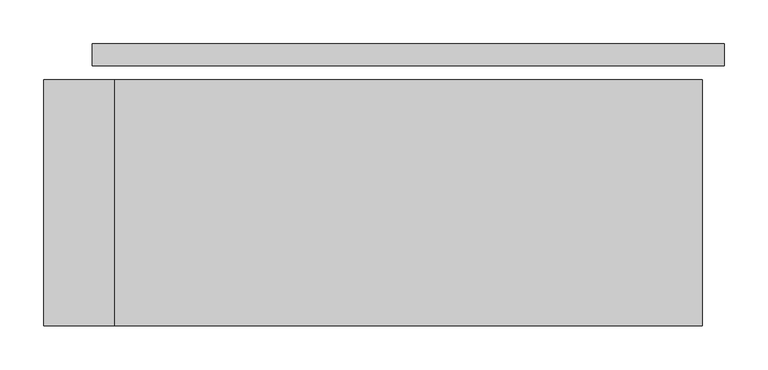
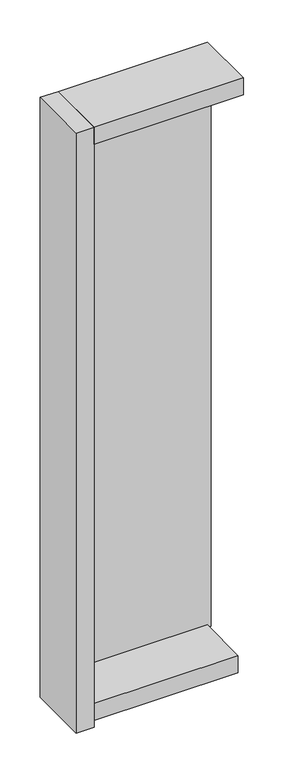
"""IFC4 building model written with IfcOpenShell, lengths in millimetres: plate geometry."""

from ifc_helpers import new_model, si_unit, frame, origin, origin_with_axes, place, context, project, spatial, polyline, outline, extrude, source, transform, mapped, element, save


def plate_88f6f60a(model_context):
    return source(origin(), model_context, "Body", "SweptSolid", [
        extrude(outline(polyline([(360.0, 0.0), (360.0, -25.0), (-360.0, -25.0), (-360.0, 0.0), (360.0, 0.0)])), origin_with_axes(), (0.0, 0.0, 1.0), 2732.0),
        extrude(outline(polyline([(-335.0, -41.0), (-335.0, -321.0), (-415.0, -321.0), (-415.0, -41.0), (-335.0, -41.0)])), frame((0.0, 0.0, -55.0), z_axis=(0.0, 0.0, 1.0), x_axis=(1.0, 0.0, 0.0)), (0.0, 0.0, 1.0), 2842.0),
        extrude(outline(polyline([(335.0, -281.0), (-335.0, -281.0), (-335.0, -41.0), (335.0, -41.0), (335.0, -281.0)])), frame((0.0, 0.0, -55.0), z_axis=(0.0, 0.0, 1.0), x_axis=(1.0, 0.0, 0.0)), (0.0, 0.0, 1.0), 80.0),
        extrude(outline(polyline([(335.0, -41.0), (335.0, -321.0), (-335.0, -321.0), (-335.0, -41.0), (335.0, -41.0)])), frame((0.0, 0.0, 2707.0), z_axis=(0.0, 0.0, 1.0), x_axis=(1.0, 0.0, 0.0)), (0.0, 0.0, 1.0), 80.0),
    ])


if __name__ == "__main__":
    model = new_model("IFC4")
    model_context = context("Model", 3, world=origin())
    ifc_project = project(units=[si_unit("LENGTHUNIT", "METRE", prefix="MILLI")], contexts=[model_context])
    site = spatial("IfcSite", under=ifc_project)
    building = spatial("IfcBuilding", under=site)
    placement = place(None, origin())
    plate_shape = plate_88f6f60a(model_context)
    element("IfcPlate", 1, at=placement, inside=building, context=model_context, shape_type="MappedRepresentation", body=[
        mapped(plate_shape, transform((0.0, 0.0, 0.0), x_axis=(1.0, 0.0, 0.0), y_axis=(0.0, 1.0, 0.0), z_axis=(0.0, 0.0, 1.0))),
    ])
    save(model, "model.ifc")
